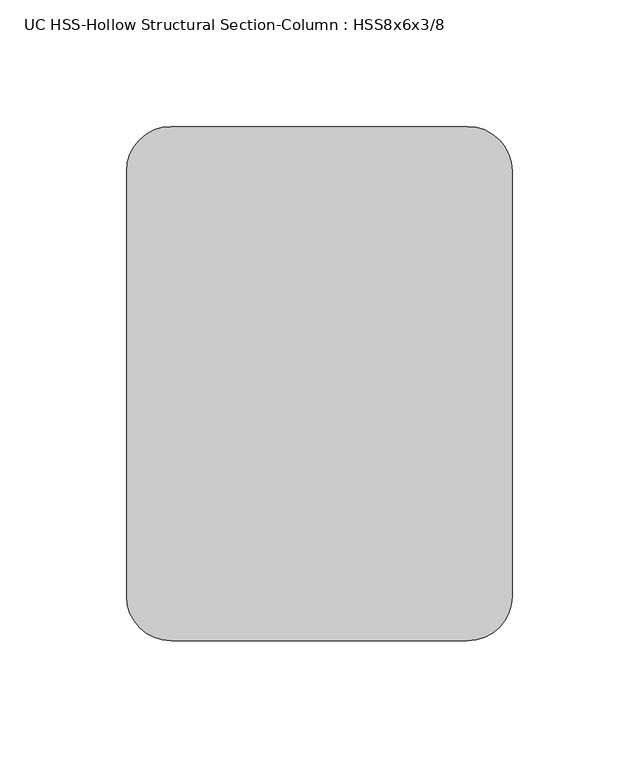
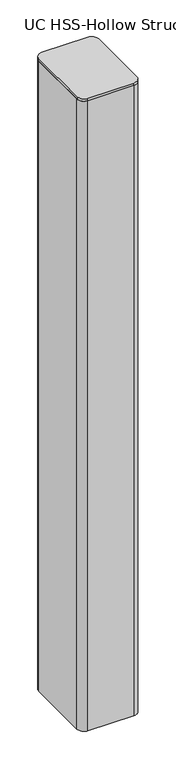
"""IFC4 building model written with IfcOpenShell, lengths in millimetres: column geometry, UC HSS-Hollow Structural Section-Column : HSS8x6x3/8."""

from ifc_helpers import new_model, si_unit, point, frame, frame_2d, origin, place, context, project, spatial, polyline, circle_curve, trimmed, segment, composite_curve, outline, extrude, source, transform, mapped, element, save


def uc_hss_hollow_structural_section_column_hss8x6x3_8_caa4fc81(model_context):
    return source(origin(), model_context, "Body", "SweptSolid", [
        extrude(outline(composite_curve([segment(polyline([(-76.2, -83.9390625), (-76.2, 83.9390625)]), True, "CONTINUOUS"), segment(trimmed(circle_curve(frame_2d((-58.5390625, 83.9390625)), 17.6609375), [point((-76.2, 83.9390625))], [point((-58.5390625, 101.6))], False, "CARTESIAN"), True, "CONTINUOUS"), segment(polyline([(-58.5390625, 101.6), (58.5390625, 101.6)]), True, "CONTINUOUS"), segment(trimmed(circle_curve(frame_2d((58.5390625, 83.9390625)), 17.6609375), [point((58.5390625, 101.6))], [point((76.2, 83.9390625))], False, "CARTESIAN"), True, "CONTINUOUS"), segment(polyline([(76.2, 83.9390625), (76.2, -83.9390625)]), True, "CONTINUOUS"), segment(trimmed(circle_curve(frame_2d((58.5390625, -83.9390625)), 17.6609375), [point((76.2, -83.9390625))], [point((58.5390625, -101.6))], False, "CARTESIAN"), True, "CONTINUOUS"), segment(polyline([(58.5390625, -101.6), (-58.5390625, -101.6)]), True, "CONTINUOUS"), segment(trimmed(circle_curve(frame_2d((-58.5390625, -83.9390625)), 17.6609375), [point((-58.5390625, -101.6))], [point((-76.2, -83.9390625))], False, "CARTESIAN"), True, "CONTINUOUS")], self_intersect=False)), frame((0.0, 0.0, 9899.65), z_axis=(0.0, 0.0, 1.0), x_axis=(1.0, 0.0, 0.0)), (0.0, 0.0, 1.0), 6.35),
        extrude(outline(composite_curve([segment(polyline([(58.4708, -101.6), (-58.4708, -101.6)]), True, "CONTINUOUS"), segment(trimmed(circle_curve(frame_2d((-58.4708, -83.8708)), 17.7292), [point((-58.4708, -101.6))], [point((-76.2, -83.8708))], False, "CARTESIAN"), True, "CONTINUOUS"), segment(polyline([(-76.2, -83.8708), (-76.2, 83.8708)]), True, "CONTINUOUS"), segment(trimmed(circle_curve(frame_2d((-58.4708, 83.8708)), 17.7292), [point((-76.2, 83.8708))], [point((-58.4708, 101.6))], False, "CARTESIAN"), True, "CONTINUOUS"), segment(polyline([(-58.4708, 101.6), (58.4708, 101.6)]), True, "CONTINUOUS"), segment(trimmed(circle_curve(frame_2d((58.4708, 83.8708)), 17.7292), [point((58.4708, 101.6))], [point((76.2, 83.8708))], False, "CARTESIAN"), True, "CONTINUOUS"), segment(polyline([(76.2, 83.8708), (76.2, -83.8708)]), True, "CONTINUOUS"), segment(trimmed(circle_curve(frame_2d((58.4708, -83.8708)), 17.7292), [point((76.2, -83.8708))], [point((58.4708, -101.6))], False, "CARTESIAN"), True, "CONTINUOUS")], self_intersect=False), holes=[composite_curve([segment(trimmed(circle_curve(frame_2d((58.4708, -83.8708)), 8.8646), [point((58.4708, -92.7354))], [point((67.3354, -83.8708))], True, "CARTESIAN"), True, "CONTINUOUS"), segment(polyline([(67.3354, -83.8708), (67.3354, 83.8708)]), True, "CONTINUOUS"), segment(trimmed(circle_curve(frame_2d((58.4708, 83.8708)), 8.8646), [point((67.3354, 83.8708))], [point((58.4708, 92.7354))], True, "CARTESIAN"), True, "CONTINUOUS"), segment(polyline([(58.4708, 92.7354), (-58.4708, 92.7354)]), True, "CONTINUOUS"), segment(trimmed(circle_curve(frame_2d((-58.4708, 83.8708)), 8.8646), [point((-58.4708, 92.7354))], [point((-67.3354, 83.8708))], True, "CARTESIAN"), True, "CONTINUOUS"), segment(polyline([(-67.3354, 83.8708), (-67.3354, -83.8708)]), True, "CONTINUOUS"), segment(trimmed(circle_curve(frame_2d((-58.4708, -83.8708)), 8.8646), [point((-67.3354, -83.8708))], [point((-58.4708, -92.7354))], True, "CARTESIAN"), True, "CONTINUOUS"), segment(polyline([(-58.4708, -92.7354), (58.4708, -92.7354)]), True, "CONTINUOUS")], self_intersect=False)]), frame((0.0, 0.0, 8204.2), z_axis=(0.0, 0.0, 1.0), x_axis=(1.0, 0.0, 0.0)), (0.0, 0.0, 1.0), 1695.45),
    ])


if __name__ == "__main__":
    model = new_model("IFC4")
    model_context = context("Model", 3, world=origin())
    ifc_project = project(units=[si_unit("LENGTHUNIT", "METRE", prefix="MILLI")], contexts=[model_context])
    site = spatial("IfcSite", under=ifc_project)
    building = spatial("IfcBuilding", under=site)
    placement = place(None, origin())
    uc_hss_hollow_structural_section_column_hss8x6x3_8_shape = uc_hss_hollow_structural_section_column_hss8x6x3_8_caa4fc81(model_context)
    element("IfcColumn", 1, ObjectType="UC HSS-Hollow Structural Section-Column : HSS8x6x3/8", at=placement, inside=building, context=model_context, shape_type="MappedRepresentation", body=[
        mapped(uc_hss_hollow_structural_section_column_hss8x6x3_8_shape, transform((0.0, 0.0, 0.0), x_axis=(1.0, 0.0, 0.0), y_axis=(0.0, 1.0, 0.0), z_axis=(0.0, 0.0, 1.0))),
    ])
    save(model, "model.ifc")
